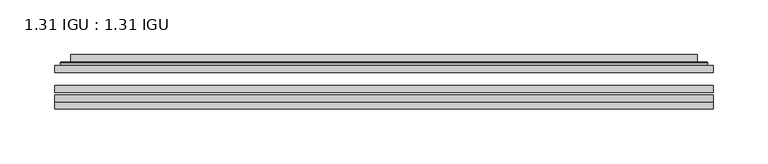
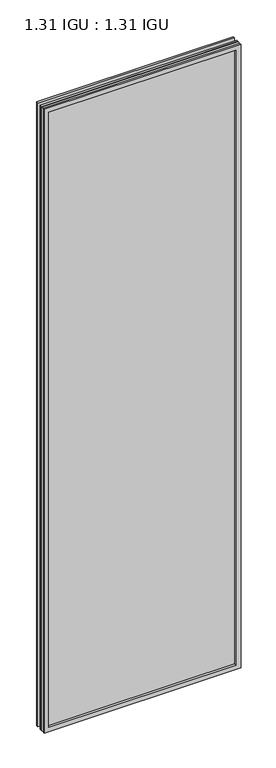
"""IFC4 building model written with IfcOpenShell, lengths in millimetres: plate geometry, 1.31 IGU : 1.31 IGU."""

from ifc_helpers import new_model, si_unit, frame, origin, place, context, project, spatial, polyline, ellipse_curve, outline, extrude, faceted_brep, source, transform, mapped, element, save
from ifc_brep_helpers import plane_surface, cylinder_surface, advanced_brep


def plate_1_31_igu_1_31_igu_c28b281a(model_context):
    return source(origin(), model_context, "Body", "SolidModel", [
        extrude(outline(polyline([(300.0548663, -63.59525), (300.0548663, -69.94525), (-300.0406913, -69.94525), (-300.0406913, -63.59525), (300.0548663, -63.59525)])), frame((0.0, 0.0, -14.2875), z_axis=(0.0, 0.0, 1.0), x_axis=(1.0, 0.0, 0.0)), (0.0, 0.0, 1.0), 2009.8015278),
        extrude(outline(polyline([(-300.0406913, -78.58125), (-300.0406913, -72.230745), (300.0548663, -72.230745), (300.0548663, -78.58125), (-300.0406913, -78.58125)])), frame((0.0, 0.0, -14.2875), z_axis=(0.0, 0.0, 1.0), x_axis=(1.0, 0.0, 0.0)), (0.0, 0.0, 1.0), 2009.8015278),
        extrude(outline(polyline([(300.0548663, -45.25645), (300.0548663, -51.60645), (-300.0406913, -51.60645), (-300.0406913, -45.25645), (300.0548663, -45.25645)])), frame((0.0, 0.0, -14.2875), z_axis=(0.0, 0.0, 1.0), x_axis=(1.0, 0.0, 0.0)), (0.0, 0.0, 1.0), 2009.8015278),
        faceted_brep([(-300.0533913, -84.93125, 1995.5229299), (-300.0533913, -78.58125, 1995.5229299), (-300.0533913, -78.58125, -14.3002), (-300.0533913, -84.93125, -14.3002), (300.0533913, -78.58125, -14.3002), (300.0533913, -84.93125, -14.3002), (300.0533913, -78.58125, 1995.5229299), (300.0533913, -84.93125, 1995.5229299), (-284.8554472, -78.58125, 0.8977441), (284.8554472, -78.58125, 0.8977441), (284.8554472, -78.58125, 1980.3249858), (-284.8554472, -78.58125, 1980.3249858), (-285.7478815, -84.93125, 1981.2174201), (285.7478815, -84.93125, 1981.2174201), (285.7478815, -84.93125, 0.0053098), (-285.7478815, -84.93125, 0.0053098)], [[[0, 1, 2, 3]], [[3, 2, 4, 5]], [[5, 4, 6, 7]], [[1, 6, 4, 2], [8, 9, 10, 11]], [[7, 6, 1, 0]], [[3, 5, 7, 0], [12, 13, 14, 15]], [[11, 12, 15, 8]], [[8, 15, 14, 9]], [[9, 14, 13, 10]], [[10, 13, 12, 11]]]),
        advanced_brep(
        [(-292.7994104, -45.25645, 1988.2689489), (-295.1536157, -43.2667833, 1990.6231543), (-295.1536157, -43.2667833, -9.4004244), (-292.7994104, -45.25645, -7.046219), (-283.7250852, -41.416413, 1979.1946238), (-278.7902534, -45.25645, 1974.2597919), (-278.7902534, -45.25645, 6.9629379), (-283.7250852, -41.416413, 2.0281061), (-284.757113, -36.0191819, 1980.2266515), (-284.757113, -36.0191819, 0.9960783), (-285.7477698, -35.6202069, 1981.2173083), (-285.7477698, -35.6202069, 0.0054216), (-285.7477698, -42.08145, 1981.2173083), (-285.7477698, -42.08145, 0.0054216), (-294.1518262, -42.08145, 1989.6213648), (-294.1518262, -42.08145, -8.3986349), (295.1536157, -43.2667833, -9.4004244), (292.7994104, -45.25645, -7.046219), (278.7902534, -45.25645, 6.9629379), (283.7250852, -41.416413, 2.0281061), (284.757113, -36.0191819, 0.9960783), (285.7477698, -35.6202069, 0.0054216), (285.7477698, -42.08145, 0.0054216), (294.1518262, -42.08145, -8.3986349), (295.1536157, -43.2667833, 1990.6231543), (292.7994104, -45.25645, 1988.2689489), (278.7902534, -45.25645, 1974.2597919), (283.7250852, -41.416413, 1979.1946238), (284.757113, -36.0191819, 1980.2266515), (285.7477698, -35.6202069, 1981.2173083), (285.7477698, -42.08145, 1981.2173083), (294.1518262, -42.08145, 1989.6213648)],
        [
            (0, 1, ellipse_curve(frame((-292.7994104, -42.86885, 1988.2689489), z_axis=(-0.7071067811865475, 0.0, -0.7071067811865475), x_axis=(-0.7071067811865474, 0.0, 0.7071067811865476)), 3.3765763, 2.3876)),
            (1, 2),
            (2, 3, ellipse_curve(frame((-292.7994104, -42.86885, -7.046219), z_axis=(-0.7071067811865475, 0.0, 0.7071067811865475), x_axis=(0.7071067811865474, 0.0, 0.7071067811865476)), 3.3765763, 2.3876)),
            (3, 0),
            (4, 5),
            (5, 6),
            (6, 7),
            (7, 4),
            (8, 4),
            (7, 9),
            (9, 8),
            (10, 8, ellipse_curve(frame((-285.3808132, -36.1384423, 1980.8503517), z_axis=(-0.7071067811865475, 0.0, -0.7071067811865475), x_axis=(-0.7071067811865474, 0.0, 0.7071067811865476)), 0.8980256, 0.635)),
            (9, 11, ellipse_curve(frame((-285.3808132, -36.1384423, 0.3723781), z_axis=(-0.7071067811865475, 0.0, 0.7071067811865475), x_axis=(0.7071067811865474, 0.0, 0.7071067811865476)), 0.8980256, 0.635)),
            (11, 10),
            (12, 10),
            (11, 13),
            (13, 12),
            (1, 14, ellipse_curve(frame((-294.1518262, -43.09745, 1989.6213648), z_axis=(-0.7071067811865475, 0.0, -0.7071067811865475), x_axis=(-0.7071067811865474, 0.0, 0.7071067811865476)), 1.436841, 1.016)),
            (14, 15),
            (15, 2, ellipse_curve(frame((-294.1518262, -43.09745, -8.3986349), z_axis=(-0.7071067811865475, 0.0, 0.7071067811865475), x_axis=(0.7071067811865474, 0.0, 0.7071067811865476)), 1.436841, 1.016)),
            (2, 16),
            (16, 17, ellipse_curve(frame((292.7994104, -42.86885, -7.046219), z_axis=(-0.7071067811865475, 0.0, -0.7071067811865475), x_axis=(-0.7071067811865476, 0.0, 0.7071067811865474)), 3.3765763, 2.3876)),
            (17, 3),
            (6, 18),
            (18, 19),
            (19, 7),
            (19, 20),
            (20, 9),
            (20, 21, ellipse_curve(frame((285.3808132, -36.1384423, 0.3723781), z_axis=(-0.7071067811865475, 0.0, -0.7071067811865475), x_axis=(-0.7071067811865476, 0.0, 0.7071067811865474)), 0.8980256, 0.635)),
            (21, 11),
            (21, 22),
            (22, 13),
            (15, 23),
            (23, 16, ellipse_curve(frame((294.1518262, -43.09745, -8.3986349), z_axis=(-0.7071067811865475, 0.0, -0.7071067811865475), x_axis=(-0.7071067811865476, 0.0, 0.7071067811865474)), 1.436841, 1.016)),
            (16, 24),
            (24, 25, ellipse_curve(frame((292.7994104, -42.86885, 1988.2689489), z_axis=(0.7071067811865475, 0.0, -0.7071067811865475), x_axis=(-0.7071067811865474, 0.0, -0.7071067811865476)), 3.3765763, 2.3876)),
            (25, 17),
            (18, 26),
            (26, 27),
            (27, 19),
            (27, 28),
            (28, 20),
            (28, 29, ellipse_curve(frame((285.3808132, -36.1384423, 1980.8503517), z_axis=(0.7071067811865475, 0.0, -0.7071067811865475), x_axis=(-0.7071067811865474, 0.0, -0.7071067811865476)), 0.8980256, 0.635)),
            (29, 21),
            (29, 30),
            (30, 22),
            (23, 31),
            (31, 24, ellipse_curve(frame((294.1518262, -43.09745, 1989.6213648), z_axis=(0.7071067811865475, 0.0, -0.7071067811865475), x_axis=(-0.7071067811865474, 0.0, -0.7071067811865476)), 1.436841, 1.016)),
            (24, 1),
            (0, 25),
            (5, 26),
            (4, 27),
            (8, 28),
            (10, 29),
            (12, 30),
            (14, 31),
        ],
        [
            cylinder_surface(frame((-292.7994104, -42.86885, 2012.9727299), z_axis=(0.0, 0.0, 1.0), x_axis=(-1.0, 0.0, 0.0)), 2.3876),
            plane_surface(frame((-278.7902534, -45.25645, 1974.2597919), z_axis=(0.6141233906514794, 0.7892100234124821, 0.0), x_axis=(0.0, 0.0, -1.0))),
            plane_surface(frame((-283.7250852, -41.416413, 1979.1946238), z_axis=(0.9822050625507729, 0.18781164793386074, 0.0), x_axis=(0.0, 0.0, -1.0))),
            cylinder_surface(frame((-285.3808132, -36.1384423, 2012.9727299), z_axis=(0.0, 0.0, 1.0), x_axis=(-1.0, 0.0, 0.0)), 0.635),
            plane_surface(frame((-285.7477698, -35.6202069, 1981.2173083), z_axis=(-1.0, 0.0, 0.0), x_axis=(0.0, 0.0, -1.0))),
            cylinder_surface(frame((-294.1518262, -43.09745, 2012.9727299), z_axis=(0.0, 0.0, 1.0), x_axis=(-1.0, 0.0, 0.0)), 1.016),
            cylinder_surface(frame((-317.5031913, -42.86885, -7.046219), z_axis=(-1.0, 0.0, 0.0), x_axis=(0.0, 0.0, -1.0)), 2.3876),
            plane_surface(frame((-278.7902534, -45.25645, 6.9629379), z_axis=(0.0, 0.7892100234124841, 0.6141233906514768), x_axis=(1.0, 0.0, 0.0))),
            plane_surface(frame((-283.7250852, -41.416413, 2.0281061), z_axis=(0.0, 0.18781164793386393, 0.9822050625507723), x_axis=(1.0, 0.0, 0.0))),
            cylinder_surface(frame((-317.5031913, -36.1384423, 0.3723781), z_axis=(-1.0, 0.0, 0.0), x_axis=(0.0, 0.0, -1.0)), 0.635),
            plane_surface(frame((-285.7477698, -35.6202069, 0.0054216), z_axis=(0.0, 0.0, -1.0), x_axis=(1.0, 0.0, 0.0))),
            cylinder_surface(frame((-317.5031913, -43.09745, -8.3986349), z_axis=(-1.0, 0.0, 0.0), x_axis=(0.0, 0.0, -1.0)), 1.016),
            cylinder_surface(frame((292.7994104, -42.86885, -31.75), z_axis=(0.0, 0.0, -1.0), x_axis=(1.0, 0.0, 0.0)), 2.3876),
            plane_surface(frame((278.7902534, -45.25645, 6.9629379), z_axis=(-0.6141233906514743, 0.7892100234124861, 0.0), x_axis=(0.0, 0.0, 1.0))),
            plane_surface(frame((283.7250852, -41.416413, 2.0281061), z_axis=(-0.9822050625507718, 0.18781164793386712, 0.0), x_axis=(0.0, 0.0, 1.0))),
            cylinder_surface(frame((285.3808132, -36.1384423, -31.75), z_axis=(0.0, 0.0, -1.0), x_axis=(1.0, 0.0, 0.0)), 0.635),
            plane_surface(frame((285.7477698, -35.6202069, 0.0054216), z_axis=(1.0, 0.0, 0.0), x_axis=(0.0, 0.0, 1.0))),
            cylinder_surface(frame((294.1518262, -43.09745, -31.75), z_axis=(0.0, 0.0, -1.0), x_axis=(1.0, 0.0, 0.0)), 1.016),
            cylinder_surface(frame((317.5031913, -42.86885, 1988.2689489), z_axis=(1.0, 0.0, 0.0), x_axis=(0.0, 0.0, 1.0)), 2.3876),
            plane_surface(frame((292.7994104, -45.25645, 1988.2689489), z_axis=(0.0, -1.0, 0.0), x_axis=(-1.0, 0.0, 0.0))),
            plane_surface(frame((278.7902534, -45.25645, 1974.2597919), z_axis=(0.0, 0.7892100234124841, -0.6141233906514768), x_axis=(-1.0, 0.0, 0.0))),
            plane_surface(frame((283.7250852, -41.416413, 1979.1946238), z_axis=(0.0, 0.18781164793386393, -0.9822050625507723), x_axis=(-1.0, 0.0, 0.0))),
            cylinder_surface(frame((317.5031913, -36.1384423, 1980.8503517), z_axis=(1.0, 0.0, 0.0), x_axis=(0.0, 0.0, 1.0)), 0.635),
            plane_surface(frame((285.7477698, -35.6202069, 1981.2173083), z_axis=(0.0, 0.0, 1.0), x_axis=(-1.0, 0.0, 0.0))),
            plane_surface(frame((285.7477698, -42.08145, 1981.2173083), z_axis=(0.0, 1.0, 0.0), x_axis=(-1.0, 0.0, 0.0))),
            cylinder_surface(frame((317.5031913, -43.09745, 1989.6213648), z_axis=(1.0, 0.0, 0.0), x_axis=(0.0, 0.0, 1.0)), 1.016),
        ],
        [
            (0, [[1, 2, 3, 4]]),
            (1, [[5, 6, 7, 8]]),
            (2, [[9, -8, 10, 11]]),
            (3, [[12, -11, 13, 14]]),
            (4, [[15, -14, 16, 17]]),
            (5, [[18, 19, 20, -2]]),
            (6, [[-3, 21, 22, 23]]),
            (7, [[-7, 24, 25, 26]]),
            (8, [[-10, -26, 27, 28]]),
            (9, [[-13, -28, 29, 30]]),
            (10, [[-16, -30, 31, 32]]),
            (11, [[-20, 33, 34, -21]]),
            (12, [[-22, 35, 36, 37]]),
            (13, [[-25, 38, 39, 40]]),
            (14, [[-27, -40, 41, 42]]),
            (15, [[-29, -42, 43, 44]]),
            (16, [[-31, -44, 45, 46]]),
            (17, [[-34, 47, 48, -35]]),
            (18, [[-36, 49, -1, 50]]),
            (19, [[-23, -37, -50, -4], [51, -38, -24, -6]]),
            (20, [[-39, -51, -5, 52]]),
            (21, [[-41, -52, -9, 53]]),
            (22, [[-43, -53, -12, 54]]),
            (23, [[-45, -54, -15, 55]]),
            (24, [[56, -47, -33, -19], [-32, -46, -55, -17]]),
            (25, [[-48, -56, -18, -49]]),
        ],
    ),
    ])


if __name__ == "__main__":
    model = new_model("IFC4")
    model_context = context("Model", 3, world=origin())
    ifc_project = project(units=[si_unit("LENGTHUNIT", "METRE", prefix="MILLI")], contexts=[model_context])
    site = spatial("IfcSite", under=ifc_project)
    building = spatial("IfcBuilding", under=site)
    placement = place(None, origin())
    plate_1_31_igu_1_31_igu_shape = plate_1_31_igu_1_31_igu_c28b281a(model_context)
    element("IfcPlate", 1, ObjectType="1.31 IGU : 1.31 IGU", at=placement, inside=building, context=model_context, shape_type="MappedRepresentation", body=[
        mapped(plate_1_31_igu_1_31_igu_shape, transform((0.0, 0.0, 0.0), x_axis=(1.0, 0.0, 0.0), y_axis=(0.0, 1.0, 0.0), z_axis=(0.0, 0.0, 1.0))),
    ])
    save(model, "model.ifc")
